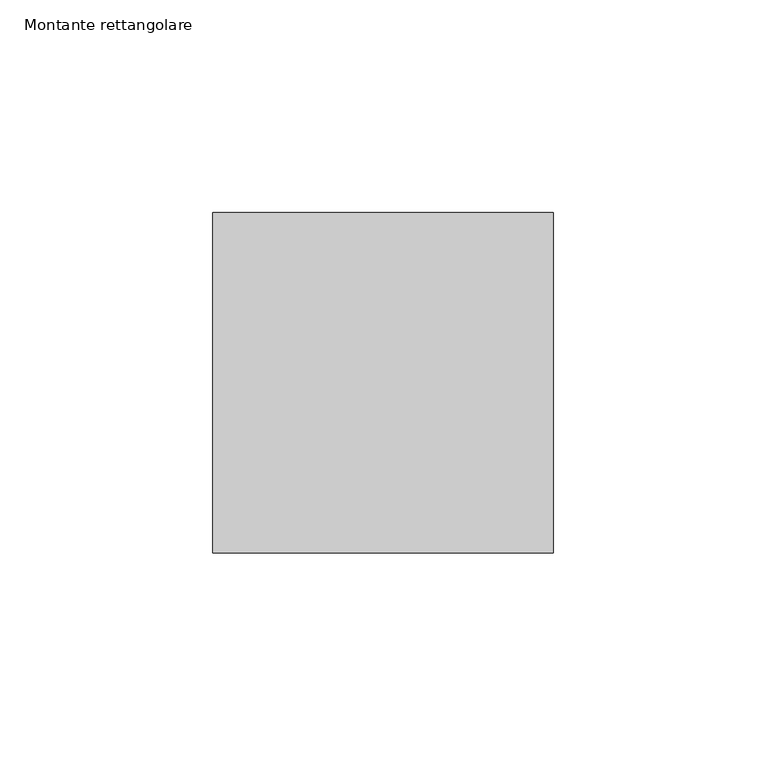
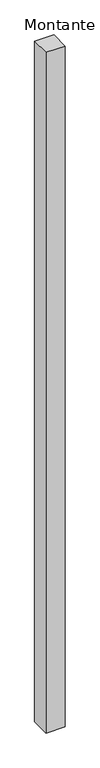
"""IFC4 building model written with IfcOpenShell, lengths in millimetres: member geometry, Montante rettangolare."""

import ifcopenshell
import ifcopenshell.guid

model = None  # the IFC model being written
_history = None  # IfcOwnerHistory: only IFC2X3 demands one
_inside = {}  # id of a spatial element -> (the spatial element, [elements in it])
_under = {}  # id of a project, library or spatial element -> (it, [spatial elements below it])
_declared = {}  # id of a project -> (the project, [libraries it declares])
_typed = {}  # id of a type object -> (the type object, [elements of that type])
_made_of = {}  # id of a material, layer set ... -> (it, [elements and type objects made of it])


def new_model(schema):
    """Start an empty IFC model of exactly this schema.

    Asked for "IFC4X3", IfcOpenShell would pick the latest addendum, in which some entities
    have other attributes; the version numbers below select the first issue.
    IFC2X3 requires an IfcOwnerHistory on every rooted entity: one is made here for all.
    """
    global model, _history
    if schema == "IFC4X3":
        model = ifcopenshell.file(schema_version=(4, 3, 0, 0))
    else:
        model = ifcopenshell.file(schema=schema)
    _inside.clear()
    _under.clear()
    _declared.clear()
    _typed.clear()
    _made_of.clear()
    _history = None
    if model.schema == "IFC2X3":
        org = make("IfcOrganization", Name="unknown")
        user = make(
            "IfcPersonAndOrganization",
            ThePerson=make("IfcPerson", FamilyName="unknown"),
            TheOrganization=org,
        )
        app = make(
            "IfcApplication",
            ApplicationDeveloper=org,
            Version="unknown",
            ApplicationFullName="unknown",
            ApplicationIdentifier="unknown",
        )
        _history = make(
            "IfcOwnerHistory",
            OwningUser=user,
            OwningApplication=app,
            ChangeAction="ADDED",
            CreationDate=0,
        )
    return model


def make(cls, **values):
    """One entity of the class cls with the attributes given. An attribute that is None is left unset."""
    return model.create_entity(
        cls, **{name: value for name, value in values.items() if value is not None}
    )


def rooted(cls, **values):
    """An entity with a GlobalId (a new one), such as an element, a storey or a relation."""
    return make(cls, GlobalId=ifcopenshell.guid.new(), OwnerHistory=_history, **values)


def si_unit(unit_type, name, prefix=None):
    """IfcSIUnit, for example si_unit("LENGTHUNIT", "METRE", prefix="MILLI")."""
    return make("IfcSIUnit", UnitType=unit_type, Prefix=prefix, Name=name)


def assignment(units):
    """IfcUnitAssignment: the units of a project."""
    return None if units is None else make("IfcUnitAssignment", Units=units)


def point(xyz):
    """IfcCartesianPoint."""
    return None if xyz is None else make("IfcCartesianPoint", Coordinates=xyz)


def direction(xyz):
    """IfcDirection."""
    return None if xyz is None else make("IfcDirection", DirectionRatios=xyz)


def frame(location, z_axis=None, x_axis=None):
    """IfcAxis2Placement3D, a coordinate frame: its origin and axes. An axis left out is left unset."""
    return make(
        "IfcAxis2Placement3D",
        Location=point(location),
        Axis=direction(z_axis),
        RefDirection=direction(x_axis),
    )


def origin():
    """The frame at (0, 0, 0) with its axes left unset."""
    return frame((0.0, 0.0, 0.0))


def place(relative_to, where):
    """IfcLocalPlacement: puts the frame where relative to a parent placement (None: the world)."""
    return make(
        "IfcLocalPlacement", PlacementRelTo=relative_to, RelativePlacement=where
    )


def context(
    kind, dimensions, precision=None, world=None, true_north=None, identifier=None
):
    """IfcGeometricRepresentationContext, for example the 3D "Model" context."""
    return make(
        "IfcGeometricRepresentationContext",
        ContextIdentifier=identifier,
        ContextType=kind,
        CoordinateSpaceDimension=dimensions,
        Precision=precision,
        WorldCoordinateSystem=world,
        TrueNorth=true_north,
    )


def project(units=None, contexts=None):
    """IfcProject with its units and contexts."""
    return rooted(
        "IfcProject",
        Name="project",
        RepresentationContexts=contexts,
        UnitsInContext=assignment(units),
    )


def spatial(cls, under=None, at=None, **own):
    """A site, building, storey or space (cls), placed at a placement, below another one or the project."""
    s = rooted(cls, ObjectPlacement=at, **own)
    if under is not None:
        _under.setdefault(under.id(), (under, []))[1].append(s)
    return s


def polyline(points):
    """IfcPolyline through the points."""
    return make("IfcPolyline", Points=[point(p) for p in points])


def outline(outer, holes=None, kind="AREA"):
    """IfcArbitraryClosedProfileDef: a profile drawn as a closed curve; with holes, ...WithVoids."""
    if holes is None:
        return make("IfcArbitraryClosedProfileDef", ProfileType=kind, OuterCurve=outer)
    return make(
        "IfcArbitraryProfileDefWithVoids",
        ProfileType=kind,
        OuterCurve=outer,
        InnerCurves=holes,
    )


def extrude(swept, where, along, depth):
    """IfcExtrudedAreaSolid: the profile swept, set in the frame where, extruded along a direction by depth."""
    return make(
        "IfcExtrudedAreaSolid",
        SweptArea=swept,
        Position=where,
        ExtrudedDirection=direction(along),
        Depth=depth,
    )


def shape(context_of_items, identifier, shape_type, items):
    """IfcShapeRepresentation: the items that make up one representation, for example the "Body"."""
    return make(
        "IfcShapeRepresentation",
        ContextOfItems=context_of_items,
        RepresentationIdentifier=identifier,
        RepresentationType=shape_type,
        Items=items,
    )


def source(mapping_origin, context_of_items, identifier, shape_type, items):
    """IfcRepresentationMap: a shape defined once, which mapped items show again and again."""
    return make(
        "IfcRepresentationMap",
        MappingOrigin=mapping_origin,
        MappedRepresentation=shape(context_of_items, identifier, shape_type, items),
    )


def transform(
    local_origin,
    x_axis=None,
    y_axis=None,
    z_axis=None,
    scale=None,
    scale2=None,
    scale3=None,
    uniform=True,
):
    """IfcCartesianTransformationOperator3D, or its non-uniform kind. x_axis, y_axis, z_axis: its Axis1, 2, 3."""
    if uniform:
        return make(
            "IfcCartesianTransformationOperator3D",
            Axis1=direction(x_axis),
            Axis2=direction(y_axis),
            LocalOrigin=point(local_origin),
            Scale=scale,
            Axis3=direction(z_axis),
        )
    return make(
        "IfcCartesianTransformationOperator3DnonUniform",
        Axis1=direction(x_axis),
        Axis2=direction(y_axis),
        LocalOrigin=point(local_origin),
        Scale=scale,
        Axis3=direction(z_axis),
        Scale2=scale2,
        Scale3=scale3,
    )


def mapped(mapping_source, mapping_target):
    """IfcMappedItem: shows the shape of a source again, moved by a transform."""
    return make(
        "IfcMappedItem", MappingSource=mapping_source, MappingTarget=mapping_target
    )


def made_of(thing, what):
    """Note that an element or type object is made of a material, layer set ...; save() writes the relation."""
    if what is not None:
        _made_of.setdefault(what.id(), (what, []))[1].append(thing)
    return thing


def element(
    cls,
    number,
    at=None,
    inside=None,
    cuts=None,
    type_object=None,
    material=None,
    context=None,
    identifier="Body",
    shape_type=None,
    held_by="IfcProductDefinitionShape",
    body=None,
    shapes=None,
    **own,
):
    """One element of the class cls, such as IfcWall. Its Tag is "e" and its number.

    at: its placement. inside: the storey or other place that contains it. cuts: it is an
    opening in that element (IfcRelVoidsElement). A single representation is given by context,
    identifier, shape_type and body (its items); several are given by shapes. held_by: the class
    of the entity that holds the representations. save() writes the other relations.
    """
    e = rooted(cls, Tag="e%d" % number, ObjectPlacement=at, **own)
    if body is not None:
        shapes = [shape(context, identifier, shape_type, body)]
    if shapes is not None:
        e.Representation = make(held_by, Representations=shapes)
    if inside is not None:
        _inside.setdefault(inside.id(), (inside, []))[1].append(e)
    if cuts is not None:
        rooted(
            "IfcRelVoidsElement", RelatingBuildingElement=cuts, RelatedOpeningElement=e
        )
    if type_object is not None:
        _typed.setdefault(type_object.id(), (type_object, []))[1].append(e)
    return made_of(e, material)


def aggregate(whole, parts):
    """IfcRelAggregates: a whole, such as a stair, and the parts it consists of."""
    return rooted("IfcRelAggregates", RelatingObject=whole, RelatedObjects=parts)


def save(model, path):
    """Write the relations noted so far, then the file.

    IfcRelAggregates (storeys below a building ...), IfcRelContainedInSpatialStructure (elements
    in a storey), IfcRelDefinesByType, IfcRelAssociatesMaterial and IfcRelDeclares: one each for
    every whole, place, type object, material and project.
    """
    for whole, parts in _under.values():
        aggregate(whole, parts)
    for where, things in _inside.values():
        rooted(
            "IfcRelContainedInSpatialStructure",
            RelatedElements=things,
            RelatingStructure=where,
        )
    for kind, things in _typed.values():
        rooted("IfcRelDefinesByType", RelatedObjects=things, RelatingType=kind)
    for what, things in _made_of.values():
        rooted("IfcRelAssociatesMaterial", RelatedObjects=things, RelatingMaterial=what)
    for by, libraries in _declared.values():
        rooted("IfcRelDeclares", RelatingContext=by, RelatedDefinitions=libraries)
    model.write(path)


def montante_rettangolare_26e47edb(model_context):
    return source(origin(), model_context, "Body", "SweptSolid", [
        extrude(outline(polyline([(0.0, 40.0), (0.0, -40.0), (-80.0, -40.0), (-80.0, 40.0), (0.0, 40.0)])), frame((0.0, 0.0, -2976.8763913), z_axis=(0.0, 0.0, 1.0), x_axis=(1.0, 0.0, 0.0)), (0.0, 0.0, 1.0), 2976.8763913),
    ])


if __name__ == "__main__":
    model = new_model("IFC4")
    model_context = context("Model", 3, world=origin())
    ifc_project = project(units=[si_unit("LENGTHUNIT", "METRE", prefix="MILLI")], contexts=[model_context])
    site = spatial("IfcSite", under=ifc_project)
    building = spatial("IfcBuilding", under=site)
    placement = place(None, origin())
    montante_rettangolare_shape = montante_rettangolare_26e47edb(model_context)
    element("IfcMember", 1, ObjectType="Montante rettangolare", at=placement, inside=building, context=model_context, shape_type="MappedRepresentation", body=[
        mapped(montante_rettangolare_shape, transform((0.0, 0.0, 0.0), x_axis=(1.0, 0.0, 0.0), y_axis=(0.0, 1.0, 0.0), z_axis=(0.0, 0.0, 1.0))),
    ])
    save(model, "model.ifc")
